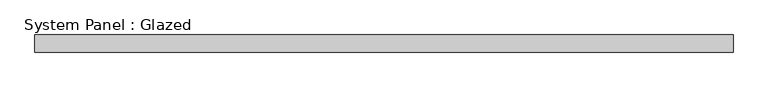
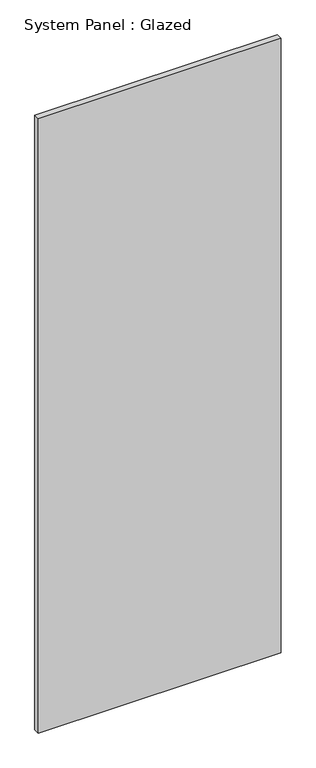
"""IFC4 building model written with IfcOpenShell, lengths in millimetres: plate geometry, System Panel : Glazed."""

from ifc_helpers import new_model, si_unit, origin, origin_with_axes, place, context, project, spatial, polyline, outline, extrude, source, transform, mapped, element, save


def system_panel_glazed_d0b70796(model_context):
    return source(origin(), model_context, "Body", "SweptSolid", [
        extrude(outline(polyline([(504.75, 19.05), (-504.75, 19.05), (-504.75, 44.45), (504.75, 44.45), (504.75, 19.05)])), origin_with_axes(), (0.0, 0.0, 1.0), 2700.0),
    ])


if __name__ == "__main__":
    model = new_model("IFC4")
    model_context = context("Model", 3, world=origin())
    ifc_project = project(units=[si_unit("LENGTHUNIT", "METRE", prefix="MILLI")], contexts=[model_context])
    site = spatial("IfcSite", under=ifc_project)
    building = spatial("IfcBuilding", under=site)
    placement = place(None, origin())
    system_panel_glazed_shape = system_panel_glazed_d0b70796(model_context)
    element("IfcPlate", 1, ObjectType="System Panel : Glazed", at=placement, inside=building, context=model_context, shape_type="MappedRepresentation", body=[
        mapped(system_panel_glazed_shape, transform((0.0, 0.0, 0.0), x_axis=(1.0, 0.0, 0.0), y_axis=(0.0, 1.0, 0.0), z_axis=(0.0, 0.0, 1.0))),
    ])
    save(model, "model.ifc")
